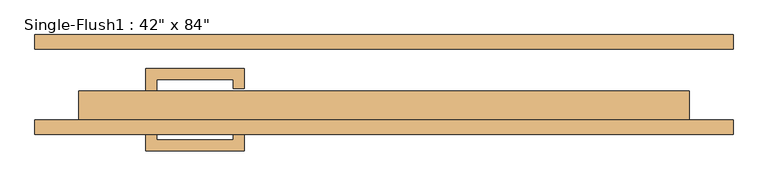
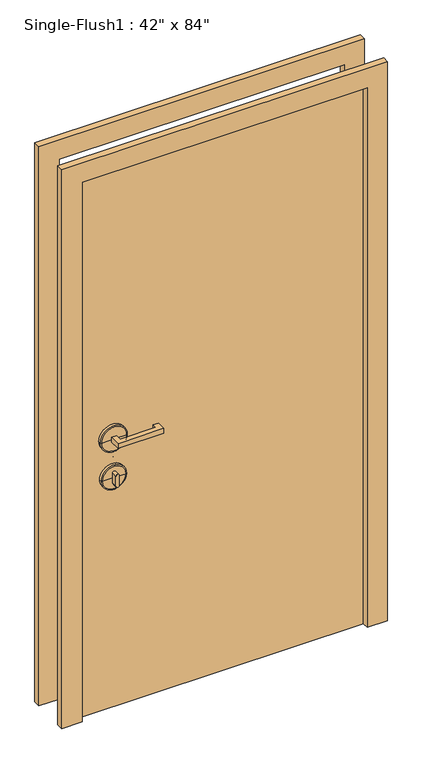
"""IFC4 building model written with IfcOpenShell, lengths in millimetres: door geometry."""

from ifc_helpers import new_model, si_unit, point, frame, frame_2d, origin, origin_with_axes, place, context, project, spatial, polyline, circle_curve, ellipse_curve, trimmed, segment, composite_curve, outline, extrude, source, transform, mapped, element, save
from ifc_brep_helpers import plane_surface, cylinder_surface, revolved_surface, advanced_brep


def door_513e4120(model_context):
    return source(origin(), model_context, "Body", "SolidModel", [
        extrude(outline(polyline([(-396.875, -12.7), (-415.925, -12.7), (-415.925, 28.575), (-244.475, 28.575), (-244.475, -6.35), (-263.525, -6.35), (-263.525, 9.525), (-396.875, 9.525), (-396.875, -12.7)])), frame((0.0, 0.0, 1057.275), z_axis=(0.0, 0.0, 1.0), x_axis=(1.0, 0.0, 0.0)), (0.0, 0.0, 1.0), 19.05),
        extrude(outline(composite_curve([segment(trimmed(circle_curve(frame_2d((895.35, -406.4)), 6.35), [point((895.35, -412.75))], [point((895.35, -400.05))], False, "CARTESIAN"), True, "CONTINUOUS"), segment(polyline([(895.35, -400.05), (933.45, -400.05)]), True, "CONTINUOUS"), segment(trimmed(circle_curve(frame_2d((933.45, -406.4)), 6.35), [point((933.45, -400.05))], [point((933.45, -412.75))], False, "CARTESIAN"), True, "CONTINUOUS"), segment(polyline([(933.45, -412.75), (895.35, -412.75)]), True, "CONTINUOUS")], self_intersect=False)), frame((0.0, -12.7, 0.0), z_axis=(0.0, 1.0, 0.0), x_axis=(0.0, 0.0, 1.0)), (0.0, 0.0, 1.0), 22.225),
        advanced_brep(
        [(-358.775, -15.875, 914.4), (-454.025, -15.875, 914.4), (-454.025, -25.4, 914.4), (-358.775, -25.4, 914.4), (-361.95, -12.7, 914.4), (-450.85, -12.7, 914.4), (-406.4, -12.7, 914.4), (-406.4, -25.4, 914.4)],
        [
            (0, 1, circle_curve(frame((-406.4, -15.875, 914.4), z_axis=(0.0, -1.0, 0.0), x_axis=(-1.0, 0.0, 0.0)), 47.625)),
            (1, 2),
            (2, 3, circle_curve(frame((-406.4, -25.4, 914.4), z_axis=(0.0, 1.0, 0.0), x_axis=(-1.0, 0.0, 0.0)), 47.625)),
            (3, 0),
            (1, 0, circle_curve(frame((-406.4, -15.875, 914.4), z_axis=(0.0, -1.0, 0.0), x_axis=(-1.0, 0.0, 0.0)), 47.625)),
            (3, 2, circle_curve(frame((-406.4, -25.4, 914.4), z_axis=(0.0, 1.0, 0.0), x_axis=(-1.0, 0.0, 0.0)), 47.625)),
            (4, 5, circle_curve(frame((-406.4, -12.7, 914.4), z_axis=(0.0, -1.0, 0.0), x_axis=(-1.0, 0.0, 0.0)), 44.45)),
            (5, 1, circle_curve(frame((-450.85, -15.875, 914.4), z_axis=(0.0, 0.0, 1.0), x_axis=(1.0, 0.0, 0.0)), 3.175)),
            (0, 4, circle_curve(frame((-361.95, -15.875, 914.4), z_axis=(0.0, 0.0, 1.0), x_axis=(-1.0, 0.0, 0.0)), 3.175)),
            (5, 4, circle_curve(frame((-406.4, -12.7, 914.4), z_axis=(0.0, -1.0, 0.0), x_axis=(-1.0, 0.0, 0.0)), 44.45)),
            (6, 5),
            (4, 6),
            (2, 7),
            (7, 3),
        ],
        [
            cylinder_surface(frame((-406.4, -152.4, 914.4), z_axis=(0.0, 1.0, 0.0), x_axis=(-1.0, 0.0, 0.0)), 47.625),
            revolved_surface(trimmed(ellipse_curve(frame((-450.85, -15.875, 914.4), z_axis=(0.0, 0.0, -1.0), x_axis=(1.0, 0.0, 0.0)), 3.175, 3.175), [point((-454.025, -15.875, 914.4))], [point((-450.85, -12.7, 914.4))], True, "CARTESIAN"), (-406.4, -152.4, 914.4), (0.0, 1.0, 0.0)),
            plane_surface(frame((-406.4, -12.7, 914.4), z_axis=(0.0, 1.0, 0.0), x_axis=(-1.0, 0.0, 0.0))),
            plane_surface(frame((-406.4, -25.4, 914.4), z_axis=(0.0, -1.0, 0.0), x_axis=(-1.0, 0.0, 0.0))),
        ],
        [
            (0, [[1, 2, 3, 4]]),
            (0, [[5, -4, 6, -2]]),
            (1, [[7, 8, -1, 9]]),
            (1, [[10, -9, -5, -8]]),
            (2, [[11, -7, 12]]),
            (2, [[-12, -10, -11]]),
            (3, [[-3, 13, 14]]),
            (3, [[-6, -14, -13]]),
        ],
    ),
        advanced_brep(
        [(-355.6, -15.875, 1066.8), (-457.2, -15.875, 1066.8), (-457.2, -25.4, 1066.8), (-355.6, -25.4, 1066.8), (-358.775, -12.7, 1066.8), (-454.025, -12.7, 1066.8), (-406.4, -12.7, 1066.8), (-406.4, -25.4, 1066.8)],
        [
            (0, 1, circle_curve(frame((-406.4, -15.875, 1066.8), z_axis=(0.0, -1.0, 0.0), x_axis=(-1.0, 0.0, 0.0)), 50.8)),
            (1, 2),
            (2, 3, circle_curve(frame((-406.4, -25.4, 1066.8), z_axis=(0.0, 1.0, 0.0), x_axis=(-1.0, 0.0, 0.0)), 50.8)),
            (3, 0),
            (1, 0, circle_curve(frame((-406.4, -15.875, 1066.8), z_axis=(0.0, -1.0, 0.0), x_axis=(-1.0, 0.0, 0.0)), 50.8)),
            (3, 2, circle_curve(frame((-406.4, -25.4, 1066.8), z_axis=(0.0, 1.0, 0.0), x_axis=(-1.0, 0.0, 0.0)), 50.8)),
            (4, 5, circle_curve(frame((-406.4, -12.7, 1066.8), z_axis=(0.0, -1.0, 0.0), x_axis=(-1.0, 0.0, 0.0)), 47.625)),
            (5, 1, circle_curve(frame((-454.025, -15.875, 1066.8), z_axis=(0.0, 0.0, 1.0), x_axis=(1.0, 0.0, 0.0)), 3.175)),
            (0, 4, circle_curve(frame((-358.775, -15.875, 1066.8), z_axis=(0.0, 0.0, 1.0), x_axis=(-1.0, 0.0, 0.0)), 3.175)),
            (5, 4, circle_curve(frame((-406.4, -12.7, 1066.8), z_axis=(0.0, -1.0, 0.0), x_axis=(-1.0, 0.0, 0.0)), 47.625)),
            (6, 5),
            (4, 6),
            (2, 7),
            (7, 3),
        ],
        [
            cylinder_surface(frame((-406.4, -152.4, 1066.8), z_axis=(0.0, 1.0, 0.0), x_axis=(-1.0, 0.0, 0.0)), 50.8),
            revolved_surface(trimmed(ellipse_curve(frame((-454.025, -15.875, 1066.8), z_axis=(0.0, 0.0, -1.0), x_axis=(1.0, 0.0, 0.0)), 3.175, 3.175), [point((-457.2, -15.875, 1066.8))], [point((-454.025, -12.7, 1066.8))], True, "CARTESIAN"), (-406.4, -152.4, 1066.8), (0.0, 1.0, 0.0)),
            plane_surface(frame((-406.4, -12.7, 1066.8), z_axis=(0.0, 1.0, 0.0), x_axis=(-1.0, 0.0, 0.0))),
            plane_surface(frame((-406.4, -25.4, 1066.8), z_axis=(0.0, -1.0, 0.0), x_axis=(-1.0, 0.0, 0.0))),
        ],
        [
            (0, [[1, 2, 3, 4]]),
            (0, [[5, -4, 6, -2]]),
            (1, [[7, 8, -1, 9]]),
            (1, [[10, -9, -5, -8]]),
            (2, [[11, -7, 12]]),
            (2, [[-12, -10, -11]]),
            (3, [[-3, 13, 14]]),
            (3, [[-6, -14, -13]]),
        ],
    ),
        extrude(outline(polyline([(-396.875, -74.6125), (-396.875, -96.8375), (-263.525, -96.8375), (-263.525, -80.9625), (-244.475, -80.9625), (-244.475, -115.8875), (-415.925, -115.8875), (-415.925, -74.6125), (-396.875, -74.6125)])), frame((0.0, 0.0, 1057.275), z_axis=(0.0, 0.0, 1.0), x_axis=(1.0, 0.0, 0.0)), (0.0, 0.0, 1.0), 19.05),
        extrude(outline(composite_curve([segment(trimmed(circle_curve(frame_2d((895.35, -406.4)), 6.35), [point((895.35, -412.75))], [point((895.35, -400.05))], False, "CARTESIAN"), True, "CONTINUOUS"), segment(polyline([(895.35, -400.05), (933.45, -400.05)]), True, "CONTINUOUS"), segment(trimmed(circle_curve(frame_2d((933.45, -406.4)), 6.35), [point((933.45, -400.05))], [point((933.45, -412.75))], False, "CARTESIAN"), True, "CONTINUOUS"), segment(polyline([(933.45, -412.75), (895.35, -412.75)]), True, "CONTINUOUS")], self_intersect=False)), frame((0.0, -96.8375, 0.0), z_axis=(0.0, 1.0, 0.0), x_axis=(0.0, 0.0, 1.0)), (0.0, 0.0, 1.0), 22.225),
        advanced_brep(
        [(-358.775, -71.4375, 914.4), (-358.775, -61.9125, 914.4), (-454.025, -61.9125, 914.4), (-454.025, -71.4375, 914.4), (-361.95, -74.6125, 914.4), (-450.85, -74.6125, 914.4), (-406.4, -74.6125, 914.4), (-406.4, -61.9125, 914.4)],
        [
            (0, 1),
            (1, 2, circle_curve(frame((-406.4, -61.9125, 914.4), z_axis=(0.0, -1.0, 0.0), x_axis=(-1.0, 0.0, 0.0)), 47.625)),
            (2, 3),
            (3, 0, circle_curve(frame((-406.4, -71.4375, 914.4), z_axis=(0.0, 1.0, 0.0), x_axis=(-1.0, 0.0, 0.0)), 47.625)),
            (2, 1, circle_curve(frame((-406.4, -61.9125, 914.4), z_axis=(0.0, -1.0, 0.0), x_axis=(-1.0, 0.0, 0.0)), 47.625)),
            (0, 3, circle_curve(frame((-406.4, -71.4375, 914.4), z_axis=(0.0, 1.0, 0.0), x_axis=(-1.0, 0.0, 0.0)), 47.625)),
            (4, 0, circle_curve(frame((-361.95, -71.4375, 914.4), z_axis=(0.0, 0.0, 1.0), x_axis=(-1.0, 0.0, 0.0)), 3.175)),
            (3, 5, circle_curve(frame((-450.85, -71.4375, 914.4), z_axis=(0.0, 0.0, 1.0), x_axis=(1.0, 0.0, 0.0)), 3.175)),
            (5, 4, circle_curve(frame((-406.4, -74.6125, 914.4), z_axis=(0.0, 1.0, 0.0), x_axis=(-1.0, 0.0, 0.0)), 44.45)),
            (4, 5, circle_curve(frame((-406.4, -74.6125, 914.4), z_axis=(0.0, 1.0, 0.0), x_axis=(-1.0, 0.0, 0.0)), 44.45)),
            (6, 4),
            (5, 6),
            (1, 7),
            (7, 2),
        ],
        [
            cylinder_surface(frame((-406.4, 65.0875, 914.4), z_axis=(0.0, -1.0, 0.0), x_axis=(-1.0, 0.0, 0.0)), 47.625),
            revolved_surface(trimmed(ellipse_curve(frame((-450.85, -71.4375, 914.4), z_axis=(0.0, 0.0, 1.0), x_axis=(1.0, 0.0, 0.0)), 3.175, 3.175), [point((-454.025, -71.4375, 914.4))], [point((-450.85, -74.6125, 914.4))], True, "CARTESIAN"), (-406.4, 65.0875, 914.4), (0.0, -1.0, 0.0)),
            plane_surface(frame((-406.4, -74.6125, 914.4), z_axis=(0.0, -1.0, 0.0), x_axis=(-1.0, 0.0, 0.0))),
            plane_surface(frame((-406.4, -61.9125, 914.4), z_axis=(0.0, 1.0, 0.0), x_axis=(-1.0, 0.0, 0.0))),
        ],
        [
            (0, [[1, 2, 3, 4]]),
            (0, [[-3, 5, -1, 6]]),
            (1, [[7, -4, 8, 9]]),
            (1, [[-8, -6, -7, 10]]),
            (2, [[11, -9, 12]]),
            (2, [[-12, -10, -11]]),
            (3, [[13, 14, -2]]),
            (3, [[-14, -13, -5]]),
        ],
    ),
        advanced_brep(
        [(-355.6, -71.4375, 1066.8), (-355.6, -61.9125, 1066.8), (-457.2, -61.9125, 1066.8), (-457.2, -71.4375, 1066.8), (-358.775, -74.6125, 1066.8), (-454.025, -74.6125, 1066.8), (-406.4, -74.6125, 1066.8), (-406.4, -61.9125, 1066.8)],
        [
            (0, 1),
            (1, 2, circle_curve(frame((-406.4, -61.9125, 1066.8), z_axis=(0.0, -1.0, 0.0), x_axis=(-1.0, 0.0, 0.0)), 50.8)),
            (2, 3),
            (3, 0, circle_curve(frame((-406.4, -71.4375, 1066.8), z_axis=(0.0, 1.0, 0.0), x_axis=(-1.0, 0.0, 0.0)), 50.8)),
            (2, 1, circle_curve(frame((-406.4, -61.9125, 1066.8), z_axis=(0.0, -1.0, 0.0), x_axis=(-1.0, 0.0, 0.0)), 50.8)),
            (0, 3, circle_curve(frame((-406.4, -71.4375, 1066.8), z_axis=(0.0, 1.0, 0.0), x_axis=(-1.0, 0.0, 0.0)), 50.8)),
            (4, 0, circle_curve(frame((-358.775, -71.4375, 1066.8), z_axis=(0.0, 0.0, 1.0), x_axis=(-1.0, 0.0, 0.0)), 3.175)),
            (3, 5, circle_curve(frame((-454.025, -71.4375, 1066.8), z_axis=(0.0, 0.0, 1.0), x_axis=(1.0, 0.0, 0.0)), 3.175)),
            (5, 4, circle_curve(frame((-406.4, -74.6125, 1066.8), z_axis=(0.0, 1.0, 0.0), x_axis=(-1.0, 0.0, 0.0)), 47.625)),
            (4, 5, circle_curve(frame((-406.4, -74.6125, 1066.8), z_axis=(0.0, 1.0, 0.0), x_axis=(-1.0, 0.0, 0.0)), 47.625)),
            (6, 4),
            (5, 6),
            (1, 7),
            (7, 2),
        ],
        [
            cylinder_surface(frame((-406.4, 65.0875, 1066.8), z_axis=(0.0, -1.0, 0.0), x_axis=(-1.0, 0.0, 0.0)), 50.8),
            revolved_surface(trimmed(ellipse_curve(frame((-454.025, -71.4375, 1066.8), z_axis=(0.0, 0.0, 1.0), x_axis=(1.0, 0.0, 0.0)), 3.175, 3.175), [point((-457.2, -71.4375, 1066.8))], [point((-454.025, -74.6125, 1066.8))], True, "CARTESIAN"), (-406.4, 65.0875, 1066.8), (0.0, -1.0, 0.0)),
            plane_surface(frame((-406.4, -74.6125, 1066.8), z_axis=(0.0, -1.0, 0.0), x_axis=(-1.0, 0.0, 0.0))),
            plane_surface(frame((-406.4, -61.9125, 1066.8), z_axis=(0.0, 1.0, 0.0), x_axis=(-1.0, 0.0, 0.0))),
        ],
        [
            (0, [[1, 2, 3, 4]]),
            (0, [[-3, 5, -1, 6]]),
            (1, [[7, -4, 8, 9]]),
            (1, [[-8, -6, -7, 10]]),
            (2, [[11, -9, 12]]),
            (2, [[-12, -10, -11]]),
            (3, [[13, 14, -2]]),
            (3, [[-14, -13, -5]]),
        ],
    ),
        extrude(outline(polyline([(2209.8, -609.6), (0.0, -609.6), (0.0, -533.4), (2133.6, -533.4), (2133.6, 533.4), (0.0, 533.4), (0.0, 609.6), (2209.8, 609.6), (2209.8, -609.6)])), frame((0.0, -87.3125, 0.0), z_axis=(0.0, 1.0, 0.0), x_axis=(0.0, 0.0, 1.0)), (0.0, 0.0, 1.0), 25.4),
        extrude(outline(polyline([(2209.8, 609.6), (2209.8, -609.6), (0.0, -609.6), (0.0, -533.4), (2133.6, -533.4), (2133.6, 533.4), (0.0, 533.4), (0.0, 609.6), (2209.8, 609.6)])), frame((0.0, 61.9125, 0.0), z_axis=(0.0, 1.0, 0.0), x_axis=(0.0, 0.0, 1.0)), (0.0, 0.0, 1.0), 25.4),
        extrude(outline(polyline([(533.4, -11.1125), (533.4, -61.9125), (-533.4, -61.9125), (-533.4, -11.1125), (533.4, -11.1125)])), origin_with_axes(), (0.0, 0.0, 1.0), 2133.6),
    ])


if __name__ == "__main__":
    model = new_model("IFC4")
    model_context = context("Model", 3, world=origin())
    ifc_project = project(units=[si_unit("LENGTHUNIT", "METRE", prefix="MILLI")], contexts=[model_context])
    site = spatial("IfcSite", under=ifc_project)
    building = spatial("IfcBuilding", under=site)
    placement = place(None, origin())
    door_shape = door_513e4120(model_context)
    element("IfcDoor", 1, ObjectType="Single-Flush1 : 42\" x 84\"", at=placement, inside=building, context=model_context, shape_type="MappedRepresentation", body=[
        mapped(door_shape, transform((0.0, 0.0, 0.0), x_axis=(1.0, 0.0, 0.0), y_axis=(0.0, 1.0, 0.0), z_axis=(0.0, 0.0, 1.0))),
    ])
    save(model, "model.ifc")
